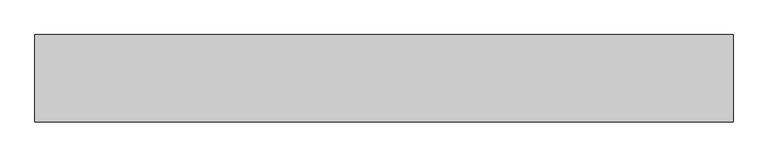
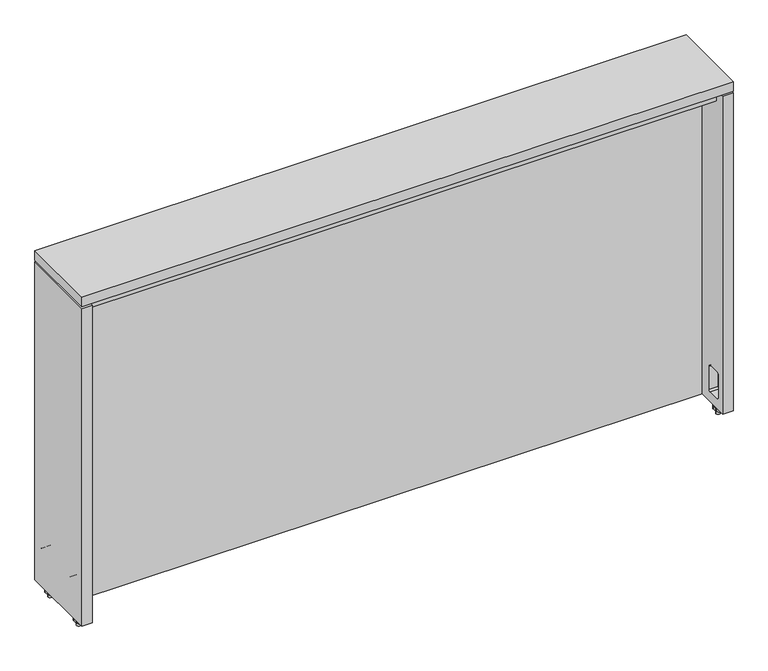
"""IFC4 building model written with IfcOpenShell, lengths in millimetres: furniture geometry."""

from ifc_helpers import new_model, si_unit, frame, origin, place, context, project, spatial, polyline, circle_curve, outline, extrude, source, transform, mapped, element, save
from ifc_brep_helpers import plane_surface, cylinder_surface, revolved_surface, advanced_brep


def furniture_2a355bd4(model_context):
    return source(origin(), model_context, "Body", "SolidModel", [
        advanced_brep(
        [(14.8424964, 46.4820011, 675.8939913), (7.0007436, 46.4820011, 675.8939913), (14.8424964, 46.4820011, 657.1431009), (7.0007436, 46.4820011, 657.1431009), (14.8424964, 46.4820011, 672.103743), (7.0007436, 46.4820011, 672.103743), (7.0007436, 46.4820011, 665.7536945), (14.8424964, 46.4820011, 665.7536945), (7.9135991, 58.3669548, 672.103743), (4.1875161, 51.9131905, 672.103743), (3.6826201, 50.0288929, 672.103743), (3.6826201, 43.00498, 672.103743), (4.2224512, 40.9903023, 672.103743), (7.9107277, 34.6020186, 672.103743), (13.9325135, 34.6020186, 672.103743), (17.6207899, 40.9903023, 672.103743), (18.160621, 43.00498, 672.103743), (18.160621, 50.0288929, 672.103743), (17.655725, 51.9131905, 672.103743), (13.929642, 58.3669548, 672.103743), (7.9135991, 58.3669548, 665.7536945), (13.929642, 58.3669548, 665.7536945), (17.655725, 51.9131905, 665.7536945), (18.160621, 50.0288929, 665.7536945), (18.160621, 43.00498, 665.7536945), (17.6207899, 40.9903023, 665.7536945), (13.9325135, 34.6020186, 665.7536945), (7.9107277, 34.6020186, 665.7536945), (4.2224512, 40.9903023, 665.7536945), (3.6826201, 43.00498, 665.7536945), (3.6826201, 50.0288929, 665.7536945), (4.1875161, 51.9131905, 665.7536945)],
        [
            (0, 1, circle_curve(frame((10.92162, 46.4820011, 675.8939913), z_axis=(0.0, 0.0, 1.0), x_axis=(-1.0, 0.0, 0.0)), 3.9208764)),
            (1, 0, circle_curve(frame((10.92162, 46.4820011, 675.8939913), z_axis=(0.0, 0.0, 1.0), x_axis=(-1.0, 0.0, 0.0)), 3.9208764)),
            (2, 3, circle_curve(frame((10.92162, 46.4820011, 657.1431009), z_axis=(0.0, 0.0, -1.0), x_axis=(-1.0, 0.0, 0.0)), 3.9208764)),
            (3, 2, circle_curve(frame((10.92162, 46.4820011, 657.1431009), z_axis=(0.0, 0.0, -1.0), x_axis=(-1.0, 0.0, 0.0)), 3.9208764)),
            (0, 4),
            (4, 5, circle_curve(frame((10.92162, 46.4820011, 672.103743), z_axis=(0.0, 0.0, 1.0), x_axis=(-1.0, 0.0, 0.0)), 3.9208764)),
            (5, 1),
            (3, 6),
            (6, 7, circle_curve(frame((10.92162, 46.4820011, 665.7536945), z_axis=(0.0, 0.0, -1.0), x_axis=(-1.0, 0.0, 0.0)), 3.9208764)),
            (7, 2),
            (5, 4, circle_curve(frame((10.92162, 46.4820011, 672.103743), z_axis=(0.0, 0.0, 1.0), x_axis=(-1.0, 0.0, 0.0)), 3.9208764)),
            (7, 6, circle_curve(frame((10.92162, 46.4820011, 665.7536945), z_axis=(0.0, 0.0, -1.0), x_axis=(-1.0, 0.0, 0.0)), 3.9208764)),
            (8, 9),
            (9, 10, circle_curve(frame((7.4512149, 50.0288929, 672.103743), z_axis=(0.0, 0.0, 1.0), x_axis=(-1.0, 0.0, 0.0)), 3.7685949)),
            (10, 11),
            (11, 12, circle_curve(frame((7.7119762, 43.00498, 672.103743), z_axis=(0.0, 0.0, 1.0), x_axis=(-1.0, 0.0, 0.0)), 4.0293561)),
            (12, 13),
            (13, 14, circle_curve(frame((10.9216206, 36.340358, 672.103743), z_axis=(0.0, 0.0, 1.0), x_axis=(-1.0, 0.0, 0.0)), 3.4766794)),
            (14, 15),
            (15, 16, circle_curve(frame((14.1312649, 43.00498, 672.103743), z_axis=(0.0, 0.0, 1.0), x_axis=(-1.0, 0.0, 0.0)), 4.0293561)),
            (16, 17),
            (17, 18, circle_curve(frame((14.3920262, 50.0288929, 672.103743), z_axis=(0.0, 0.0, 1.0), x_axis=(-1.0, 0.0, 0.0)), 3.7685949)),
            (18, 19),
            (19, 8, circle_curve(frame((10.9216206, 56.6302727, 672.103743), z_axis=(0.0, 0.0, 1.0), x_axis=(-1.0, 0.0, 0.0)), 3.4733641)),
            (20, 21, circle_curve(frame((10.9216206, 56.6302727, 665.7536945), z_axis=(0.0, 0.0, -1.0), x_axis=(-1.0, 0.0, 0.0)), 3.4733641)),
            (21, 22),
            (22, 23, circle_curve(frame((14.3920262, 50.0288929, 665.7536945), z_axis=(0.0, 0.0, -1.0), x_axis=(-1.0, 0.0, 0.0)), 3.7685949)),
            (23, 24),
            (24, 25, circle_curve(frame((14.1312649, 43.00498, 665.7536945), z_axis=(0.0, 0.0, -1.0), x_axis=(-1.0, 0.0, 0.0)), 4.0293561)),
            (25, 26),
            (26, 27, circle_curve(frame((10.9216206, 36.340358, 665.7536945), z_axis=(0.0, 0.0, -1.0), x_axis=(-1.0, 0.0, 0.0)), 3.4766794)),
            (27, 28),
            (28, 29, circle_curve(frame((7.7119762, 43.00498, 665.7536945), z_axis=(0.0, 0.0, -1.0), x_axis=(-1.0, 0.0, 0.0)), 4.0293561)),
            (29, 30),
            (30, 31, circle_curve(frame((7.4512149, 50.0288929, 665.7536945), z_axis=(0.0, 0.0, -1.0), x_axis=(-1.0, 0.0, 0.0)), 3.7685949)),
            (31, 20),
            (8, 20),
            (31, 9),
            (30, 10),
            (29, 11),
            (28, 12),
            (27, 13),
            (26, 14),
            (25, 15),
            (24, 16),
            (23, 17),
            (22, 18),
            (21, 19),
        ],
        [
            plane_surface(frame((7.0007436, 46.4820011, 675.8939913), z_axis=(0.0, 0.0, 1.0), x_axis=(0.0, -1.0, 0.0))),
            plane_surface(frame((7.0007436, 46.4820011, 657.1431009), z_axis=(0.0, 0.0, -1.0), x_axis=(0.0, 1.0, 0.0))),
            cylinder_surface(frame((10.92162, 46.4820011, 657.1431009), z_axis=(0.0, 0.0, 1.0), x_axis=(-1.0, 0.0, 0.0)), 3.9208764),
            plane_surface(frame((4.0845438, 51.7348373, 672.103743), z_axis=(0.0, 0.0, 1.0), x_axis=(-0.5000000389322666, -0.8660253813068829, 0.0))),
            plane_surface(frame((4.0845438, 51.7348373, 665.7536945), z_axis=(0.0, 0.0, -1.0), x_axis=(0.5000000389322666, 0.8660253813068829, 0.0))),
            plane_surface(frame((7.9135991, 58.3669548, 672.103743), z_axis=(-0.8660253813068829, 0.5000000389322666, 0.0), x_axis=(0.0, 0.0, -1.0))),
            cylinder_surface(frame((7.4512149, 50.0288929, 665.7536945), z_axis=(0.0, 0.0, 1.0), x_axis=(-1.0, 0.0, 0.0)), 3.7685949),
            plane_surface(frame((3.6826201, 50.0288929, 672.103743), z_axis=(-1.0, 0.0, 0.0), x_axis=(0.0, 0.0, -1.0))),
            cylinder_surface(frame((7.7119762, 43.00498, 665.7536945), z_axis=(0.0, 0.0, 1.0), x_axis=(-1.0, 0.0, 0.0)), 4.0293561),
            plane_surface(frame((4.2224512, 40.9903023, 672.103743), z_axis=(-0.8660254554111491, -0.49999991057990395, 0.0), x_axis=(0.0, 0.0, -1.0))),
            cylinder_surface(frame((10.9216206, 36.340358, 665.7536945), z_axis=(0.0, 0.0, 1.0), x_axis=(-1.0, 0.0, 0.0)), 3.4766794),
            plane_surface(frame((13.9325135, 34.6020186, 672.103743), z_axis=(0.8660254554111534, -0.4999999105798964, 0.0), x_axis=(0.0, 0.0, -1.0))),
            cylinder_surface(frame((14.1312649, 43.00498, 665.7536945), z_axis=(0.0, 0.0, 1.0), x_axis=(-1.0, 0.0, 0.0)), 4.0293561),
            plane_surface(frame((18.160621, 43.00498, 672.103743), z_axis=(1.0, 0.0, 0.0), x_axis=(0.0, 0.0, -1.0))),
            cylinder_surface(frame((14.3920262, 50.0288929, 665.7536945), z_axis=(0.0, 0.0, 1.0), x_axis=(-1.0, 0.0, 0.0)), 3.7685949),
            plane_surface(frame((17.655725, 51.9131905, 672.103743), z_axis=(0.8660253813068899, 0.5000000389322544, 0.0), x_axis=(0.0, 0.0, -1.0))),
            cylinder_surface(frame((10.9216206, 56.6302727, 665.7536945), z_axis=(0.0, 0.0, 1.0), x_axis=(-1.0, 0.0, 0.0)), 3.4733641),
        ],
        [
            (0, [[1, 2]]),
            (1, [[3, 4]]),
            (2, [[-1, 5, 6, 7]]),
            (2, [[-4, 8, 9, 10]]),
            (2, [[-2, -7, 11, -5]]),
            (2, [[-3, -10, 12, -8]]),
            (3, [[13, 14, 15, 16, 17, 18, 19, 20, 21, 22, 23, 24], [-6, -11]]),
            (4, [[25, 26, 27, 28, 29, 30, 31, 32, 33, 34, 35, 36], [-9, -12]]),
            (5, [[-13, 37, -36, 38]]),
            (6, [[-14, -38, -35, 39]]),
            (7, [[-15, -39, -34, 40]]),
            (8, [[-16, -40, -33, 41]]),
            (9, [[-17, -41, -32, 42]]),
            (10, [[-18, -42, -31, 43]]),
            (11, [[-19, -43, -30, 44]]),
            (12, [[-20, -44, -29, 45]]),
            (13, [[-21, -45, -28, 46]]),
            (14, [[-22, -46, -27, 47]]),
            (15, [[-23, -47, -26, 48]]),
            (16, [[-24, -48, -25, -37]]),
        ],
    ),
        advanced_brep(
        [(14.8424964, -46.4820011, 675.8939913), (7.0007436, -46.4820011, 675.8939913), (14.8424964, -46.4820011, 657.1431009), (7.0007436, -46.4820011, 657.1431009), (14.8424964, -46.4820011, 672.103743), (7.0007436, -46.4820011, 672.103743), (7.0007436, -46.4820011, 665.7536945), (14.8424964, -46.4820011, 665.7536945), (7.9135991, -58.3669548, 672.103743), (13.929642, -58.3669548, 672.103743), (17.655725, -51.9131905, 672.103743), (18.160621, -50.0288929, 672.103743), (18.160621, -43.00498, 672.103743), (17.6207899, -40.9903023, 672.103743), (13.9325135, -34.6020186, 672.103743), (7.9107277, -34.6020186, 672.103743), (4.2224512, -40.9903023, 672.103743), (3.6826201, -43.00498, 672.103743), (3.6826201, -50.0288929, 672.103743), (4.1875161, -51.9131905, 672.103743), (7.9135991, -58.3669548, 665.7536945), (4.1875161, -51.9131905, 665.7536945), (3.6826201, -50.0288929, 665.7536945), (3.6826201, -43.00498, 665.7536945), (4.2224512, -40.9903023, 665.7536945), (7.9107277, -34.6020186, 665.7536945), (13.9325135, -34.6020186, 665.7536945), (17.6207899, -40.9903023, 665.7536945), (18.160621, -43.00498, 665.7536945), (18.160621, -50.0288929, 665.7536945), (17.655725, -51.9131905, 665.7536945), (13.929642, -58.3669548, 665.7536945)],
        [
            (0, 1, circle_curve(frame((10.92162, -46.4820011, 675.8939913), z_axis=(0.0, 0.0, 1.0), x_axis=(-1.0, 0.0, 0.0)), 3.9208764)),
            (1, 0, circle_curve(frame((10.92162, -46.4820011, 675.8939913), z_axis=(0.0, 0.0, 1.0), x_axis=(-1.0, 0.0, 0.0)), 3.9208764)),
            (2, 3, circle_curve(frame((10.92162, -46.4820011, 657.1431009), z_axis=(0.0, 0.0, -1.0), x_axis=(-1.0, 0.0, 0.0)), 3.9208764)),
            (3, 2, circle_curve(frame((10.92162, -46.4820011, 657.1431009), z_axis=(0.0, 0.0, -1.0), x_axis=(-1.0, 0.0, 0.0)), 3.9208764)),
            (0, 4),
            (4, 5, circle_curve(frame((10.92162, -46.4820011, 672.103743), z_axis=(0.0, 0.0, 1.0), x_axis=(-1.0, 0.0, 0.0)), 3.9208764)),
            (5, 1),
            (3, 6),
            (6, 7, circle_curve(frame((10.92162, -46.4820011, 665.7536945), z_axis=(0.0, 0.0, -1.0), x_axis=(-1.0, 0.0, 0.0)), 3.9208764)),
            (7, 2),
            (5, 4, circle_curve(frame((10.92162, -46.4820011, 672.103743), z_axis=(0.0, 0.0, 1.0), x_axis=(-1.0, 0.0, 0.0)), 3.9208764)),
            (7, 6, circle_curve(frame((10.92162, -46.4820011, 665.7536945), z_axis=(0.0, 0.0, -1.0), x_axis=(-1.0, 0.0, 0.0)), 3.9208764)),
            (8, 9, circle_curve(frame((10.9216206, -56.6302727, 672.103743), z_axis=(0.0, 0.0, 1.0), x_axis=(-1.0, 0.0, 0.0)), 3.4733641)),
            (9, 10),
            (10, 11, circle_curve(frame((14.3920262, -50.0288929, 672.103743), z_axis=(0.0, 0.0, 1.0), x_axis=(-1.0, 0.0, 0.0)), 3.7685949)),
            (11, 12),
            (12, 13, circle_curve(frame((14.1312649, -43.00498, 672.103743), z_axis=(0.0, 0.0, 1.0), x_axis=(-1.0, 0.0, 0.0)), 4.0293561)),
            (13, 14),
            (14, 15, circle_curve(frame((10.9216206, -36.340358, 672.103743), z_axis=(0.0, 0.0, 1.0), x_axis=(-1.0, 0.0, 0.0)), 3.4766794)),
            (15, 16),
            (16, 17, circle_curve(frame((7.7119762, -43.00498, 672.103743), z_axis=(0.0, 0.0, 1.0), x_axis=(-1.0, 0.0, 0.0)), 4.0293561)),
            (17, 18),
            (18, 19, circle_curve(frame((7.4512149, -50.0288929, 672.103743), z_axis=(0.0, 0.0, 1.0), x_axis=(-1.0, 0.0, 0.0)), 3.7685949)),
            (19, 8),
            (20, 21),
            (21, 22, circle_curve(frame((7.4512149, -50.0288929, 665.7536945), z_axis=(0.0, 0.0, -1.0), x_axis=(-1.0, 0.0, 0.0)), 3.7685949)),
            (22, 23),
            (23, 24, circle_curve(frame((7.7119762, -43.00498, 665.7536945), z_axis=(0.0, 0.0, -1.0), x_axis=(-1.0, 0.0, 0.0)), 4.0293561)),
            (24, 25),
            (25, 26, circle_curve(frame((10.9216206, -36.340358, 665.7536945), z_axis=(0.0, 0.0, -1.0), x_axis=(-1.0, 0.0, 0.0)), 3.4766794)),
            (26, 27),
            (27, 28, circle_curve(frame((14.1312649, -43.00498, 665.7536945), z_axis=(0.0, 0.0, -1.0), x_axis=(-1.0, 0.0, 0.0)), 4.0293561)),
            (28, 29),
            (29, 30, circle_curve(frame((14.3920262, -50.0288929, 665.7536945), z_axis=(0.0, 0.0, -1.0), x_axis=(-1.0, 0.0, 0.0)), 3.7685949)),
            (30, 31),
            (31, 20, circle_curve(frame((10.9216206, -56.6302727, 665.7536945), z_axis=(0.0, 0.0, -1.0), x_axis=(-1.0, 0.0, 0.0)), 3.4733641)),
            (8, 20),
            (31, 9),
            (30, 10),
            (29, 11),
            (28, 12),
            (27, 13),
            (26, 14),
            (25, 15),
            (24, 16),
            (23, 17),
            (22, 18),
            (21, 19),
        ],
        [
            plane_surface(frame((7.0007436, 46.4820011, 675.8939913), z_axis=(0.0, 0.0, 1.0), x_axis=(0.0, -1.0, 0.0))),
            plane_surface(frame((7.0007436, 46.4820011, 657.1431009), z_axis=(0.0, 0.0, -1.0), x_axis=(0.0, 1.0, 0.0))),
            cylinder_surface(frame((10.92162, -46.4820011, 657.1431009), z_axis=(0.0, 0.0, 1.0), x_axis=(-1.0, 0.0, 0.0)), 3.9208764),
            plane_surface(frame((4.0845438, 51.7348373, 672.103743), z_axis=(0.0, 0.0, 1.0), x_axis=(-0.5000000389322666, -0.8660253813068829, 0.0))),
            plane_surface(frame((4.0845438, 51.7348373, 665.7536945), z_axis=(0.0, 0.0, -1.0), x_axis=(0.5000000389322666, 0.8660253813068829, 0.0))),
            cylinder_surface(frame((10.9216206, -56.6302727, 657.1431009), z_axis=(0.0, 0.0, 1.0), x_axis=(-1.0, 0.0, 0.0)), 3.4733641),
            plane_surface(frame((13.929642, -58.3669548, 672.103743), z_axis=(0.8660253813068899, -0.5000000389322544, 0.0), x_axis=(0.0, 0.0, -1.0))),
            cylinder_surface(frame((14.3920262, -50.0288929, 657.1431009), z_axis=(0.0, 0.0, 1.0), x_axis=(-1.0, 0.0, 0.0)), 3.7685949),
            plane_surface(frame((18.160621, -50.0288929, 672.103743), z_axis=(1.0, 0.0, 0.0), x_axis=(0.0, 0.0, -1.0))),
            cylinder_surface(frame((14.1312649, -43.00498, 657.1431009), z_axis=(0.0, 0.0, 1.0), x_axis=(-1.0, 0.0, 0.0)), 4.0293561),
            plane_surface(frame((17.6207899, -40.9903023, 672.103743), z_axis=(0.8660254554111536, 0.4999999105798962, 0.0), x_axis=(0.0, 0.0, -1.0))),
            cylinder_surface(frame((10.9216206, -36.340358, 657.1431009), z_axis=(0.0, 0.0, 1.0), x_axis=(-1.0, 0.0, 0.0)), 3.4766794),
            plane_surface(frame((7.9107277, -34.6020186, 672.103743), z_axis=(-0.8660254554111491, 0.49999991057990395, 0.0), x_axis=(0.0, 0.0, -1.0))),
            cylinder_surface(frame((7.7119762, -43.00498, 657.1431009), z_axis=(0.0, 0.0, 1.0), x_axis=(-1.0, 0.0, 0.0)), 4.0293561),
            plane_surface(frame((3.6826201, -43.00498, 672.103743), z_axis=(-1.0, 0.0, 0.0), x_axis=(0.0, 0.0, -1.0))),
            cylinder_surface(frame((7.4512149, -50.0288929, 657.1431009), z_axis=(0.0, 0.0, 1.0), x_axis=(-1.0, 0.0, 0.0)), 3.7685949),
            plane_surface(frame((4.1875161, -51.9131905, 672.103743), z_axis=(-0.8660253813068829, -0.5000000389322666, 0.0), x_axis=(0.0, 0.0, -1.0))),
        ],
        [
            (0, [[1, 2]]),
            (1, [[3, 4]]),
            (2, [[-1, 5, 6, 7]]),
            (2, [[-4, 8, 9, 10]]),
            (2, [[-2, -7, 11, -5]]),
            (2, [[-3, -10, 12, -8]]),
            (3, [[13, 14, 15, 16, 17, 18, 19, 20, 21, 22, 23, 24], [-6, -11]]),
            (4, [[25, 26, 27, 28, 29, 30, 31, 32, 33, 34, 35, 36], [-9, -12]]),
            (5, [[-13, 37, -36, 38]]),
            (6, [[-14, -38, -35, 39]]),
            (7, [[-15, -39, -34, 40]]),
            (8, [[-16, -40, -33, 41]]),
            (9, [[-17, -41, -32, 42]]),
            (10, [[-18, -42, -31, 43]]),
            (11, [[-19, -43, -30, 44]]),
            (12, [[-20, -44, -29, 45]]),
            (13, [[-21, -45, -28, 46]]),
            (14, [[-22, -46, -27, 47]]),
            (15, [[-23, -47, -26, 48]]),
            (16, [[-24, -48, -25, -37]]),
        ],
    ),
        advanced_brep(
        [(1212.1992564, 46.4820011, 675.8939913), (1204.3575036, 46.4820011, 675.8939913), (1212.1992564, 46.4820011, 657.1431009), (1204.3575036, 46.4820011, 657.1431009), (1212.1992564, 46.4820011, 672.103743), (1204.3575036, 46.4820011, 672.103743), (1204.3575036, 46.4820011, 665.7536945), (1212.1992564, 46.4820011, 665.7536945), (1211.2864009, 58.3669548, 672.103743), (1205.270358, 58.3669548, 672.103743), (1201.544275, 51.9131905, 672.103743), (1201.039379, 50.0288929, 672.103743), (1201.039379, 43.00498, 672.103743), (1201.5792101, 40.9903023, 672.103743), (1205.2674865, 34.6020186, 672.103743), (1211.2892723, 34.6020186, 672.103743), (1214.9775488, 40.9903023, 672.103743), (1215.5173799, 43.00498, 672.103743), (1215.5173799, 50.0288929, 672.103743), (1215.0124839, 51.9131905, 672.103743), (1211.2864009, 58.3669548, 665.7536945), (1215.0124839, 51.9131905, 665.7536945), (1215.5173799, 50.0288929, 665.7536945), (1215.5173799, 43.00498, 665.7536945), (1214.9775488, 40.9903023, 665.7536945), (1211.2892723, 34.6020186, 665.7536945), (1205.2674865, 34.6020186, 665.7536945), (1201.5792101, 40.9903023, 665.7536945), (1201.039379, 43.00498, 665.7536945), (1201.039379, 50.0288929, 665.7536945), (1201.544275, 51.9131905, 665.7536945), (1205.270358, 58.3669548, 665.7536945)],
        [
            (0, 1, circle_curve(frame((1208.27838, 46.4820011, 675.8939913), z_axis=(0.0, 0.0, 1.0), x_axis=(-1.0, 0.0, 0.0)), 3.9208764)),
            (1, 0, circle_curve(frame((1208.27838, 46.4820011, 675.8939913), z_axis=(0.0, 0.0, 1.0), x_axis=(-1.0, 0.0, 0.0)), 3.9208764)),
            (2, 3, circle_curve(frame((1208.27838, 46.4820011, 657.1431009), z_axis=(0.0, 0.0, -1.0), x_axis=(-1.0, 0.0, 0.0)), 3.9208764)),
            (3, 2, circle_curve(frame((1208.27838, 46.4820011, 657.1431009), z_axis=(0.0, 0.0, -1.0), x_axis=(-1.0, 0.0, 0.0)), 3.9208764)),
            (0, 4),
            (4, 5, circle_curve(frame((1208.27838, 46.4820011, 672.103743), z_axis=(0.0, 0.0, 1.0), x_axis=(-1.0, 0.0, 0.0)), 3.9208764)),
            (5, 1),
            (3, 6),
            (6, 7, circle_curve(frame((1208.27838, 46.4820011, 665.7536945), z_axis=(0.0, 0.0, -1.0), x_axis=(-1.0, 0.0, 0.0)), 3.9208764)),
            (7, 2),
            (5, 4, circle_curve(frame((1208.27838, 46.4820011, 672.103743), z_axis=(0.0, 0.0, 1.0), x_axis=(-1.0, 0.0, 0.0)), 3.9208764)),
            (7, 6, circle_curve(frame((1208.27838, 46.4820011, 665.7536945), z_axis=(0.0, 0.0, -1.0), x_axis=(-1.0, 0.0, 0.0)), 3.9208764)),
            (8, 9, circle_curve(frame((1208.2783794, 56.6302727, 672.103743), z_axis=(0.0, 0.0, 1.0), x_axis=(-1.0, 0.0, 0.0)), 3.4733641)),
            (9, 10),
            (10, 11, circle_curve(frame((1204.8079738, 50.0288929, 672.103743), z_axis=(0.0, 0.0, 1.0), x_axis=(-1.0, 0.0, 0.0)), 3.7685949)),
            (11, 12),
            (12, 13, circle_curve(frame((1205.0687351, 43.00498, 672.103743), z_axis=(0.0, 0.0, 1.0), x_axis=(-1.0, 0.0, 0.0)), 4.0293561)),
            (13, 14),
            (14, 15, circle_curve(frame((1208.2783794, 36.340358, 672.103743), z_axis=(0.0, 0.0, 1.0), x_axis=(-1.0, 0.0, 0.0)), 3.4766794)),
            (15, 16),
            (16, 17, circle_curve(frame((1211.4880238, 43.00498, 672.103743), z_axis=(0.0, 0.0, 1.0), x_axis=(-1.0, 0.0, 0.0)), 4.0293561)),
            (17, 18),
            (18, 19, circle_curve(frame((1211.7487851, 50.0288929, 672.103743), z_axis=(0.0, 0.0, 1.0), x_axis=(-1.0, 0.0, 0.0)), 3.7685949)),
            (19, 8),
            (20, 21),
            (21, 22, circle_curve(frame((1211.7487851, 50.0288929, 665.7536945), z_axis=(0.0, 0.0, -1.0), x_axis=(-1.0, 0.0, 0.0)), 3.7685949)),
            (22, 23),
            (23, 24, circle_curve(frame((1211.4880238, 43.00498, 665.7536945), z_axis=(0.0, 0.0, -1.0), x_axis=(-1.0, 0.0, 0.0)), 4.0293561)),
            (24, 25),
            (25, 26, circle_curve(frame((1208.2783794, 36.340358, 665.7536945), z_axis=(0.0, 0.0, -1.0), x_axis=(-1.0, 0.0, 0.0)), 3.4766794)),
            (26, 27),
            (27, 28, circle_curve(frame((1205.0687351, 43.00498, 665.7536945), z_axis=(0.0, 0.0, -1.0), x_axis=(-1.0, 0.0, 0.0)), 4.0293561)),
            (28, 29),
            (29, 30, circle_curve(frame((1204.8079738, 50.0288929, 665.7536945), z_axis=(0.0, 0.0, -1.0), x_axis=(-1.0, 0.0, 0.0)), 3.7685949)),
            (30, 31),
            (31, 20, circle_curve(frame((1208.2783794, 56.6302727, 665.7536945), z_axis=(0.0, 0.0, -1.0), x_axis=(-1.0, 0.0, 0.0)), 3.4733641)),
            (8, 20),
            (31, 9),
            (30, 10),
            (29, 11),
            (28, 12),
            (27, 13),
            (26, 14),
            (25, 15),
            (24, 16),
            (23, 17),
            (22, 18),
            (21, 19),
        ],
        [
            plane_surface(frame((7.0007436, 46.4820011, 675.8939913), z_axis=(0.0, 0.0, 1.0), x_axis=(0.0, -1.0, 0.0))),
            plane_surface(frame((7.0007436, 46.4820011, 657.1431009), z_axis=(0.0, 0.0, -1.0), x_axis=(0.0, 1.0, 0.0))),
            cylinder_surface(frame((1208.27838, 46.4820011, 657.1431009), z_axis=(0.0, 0.0, 1.0), x_axis=(-1.0, 0.0, 0.0)), 3.9208764),
            plane_surface(frame((4.0845438, 51.7348373, 672.103743), z_axis=(0.0, 0.0, 1.0), x_axis=(-0.5000000389322666, -0.8660253813068829, 0.0))),
            plane_surface(frame((4.0845438, 51.7348373, 665.7536945), z_axis=(0.0, 0.0, -1.0), x_axis=(0.5000000389322666, 0.8660253813068829, 0.0))),
            cylinder_surface(frame((1208.2783794, 56.6302727, 657.1431009), z_axis=(0.0, 0.0, 1.0), x_axis=(-1.0, 0.0, 0.0)), 3.4733641),
            plane_surface(frame((1205.270358, 58.3669548, 672.103743), z_axis=(-0.8660253813068829, 0.5000000389322667, 0.0), x_axis=(0.0, 0.0, -1.0))),
            cylinder_surface(frame((1204.8079738, 50.0288929, 657.1431009), z_axis=(0.0, 0.0, 1.0), x_axis=(-1.0, 0.0, 0.0)), 3.7685949),
            plane_surface(frame((1201.039379, 50.0288929, 672.103743), z_axis=(-1.0, 0.0, 0.0), x_axis=(0.0, 0.0, -1.0))),
            cylinder_surface(frame((1205.0687351, 43.00498, 657.1431009), z_axis=(0.0, 0.0, 1.0), x_axis=(-1.0, 0.0, 0.0)), 4.0293561),
            plane_surface(frame((1201.5792101, 40.9903023, 672.103743), z_axis=(-0.8660254554111597, -0.4999999105798854, 0.0), x_axis=(0.0, 0.0, -1.0))),
            cylinder_surface(frame((1208.2783794, 36.340358, 657.1431009), z_axis=(0.0, 0.0, 1.0), x_axis=(-1.0, 0.0, 0.0)), 3.4766794),
            plane_surface(frame((1211.2892723, 34.6020186, 672.103743), z_axis=(0.866025455411147, -0.4999999105799076, 0.0), x_axis=(0.0, 0.0, -1.0))),
            cylinder_surface(frame((1211.4880238, 43.00498, 657.1431009), z_axis=(0.0, 0.0, 1.0), x_axis=(-1.0, 0.0, 0.0)), 4.0293561),
            plane_surface(frame((1215.5173799, 43.00498, 672.103743), z_axis=(1.0, 0.0, 0.0), x_axis=(0.0, 0.0, -1.0))),
            cylinder_surface(frame((1211.7487851, 50.0288929, 657.1431009), z_axis=(0.0, 0.0, 1.0), x_axis=(-1.0, 0.0, 0.0)), 3.7685949),
            plane_surface(frame((1215.0124839, 51.9131905, 672.103743), z_axis=(0.8660253813068807, 0.5000000389322706, 0.0), x_axis=(0.0, 0.0, -1.0))),
        ],
        [
            (0, [[1, 2]]),
            (1, [[3, 4]]),
            (2, [[-1, 5, 6, 7]]),
            (2, [[-4, 8, 9, 10]]),
            (2, [[-2, -7, 11, -5]]),
            (2, [[-3, -10, 12, -8]]),
            (3, [[13, 14, 15, 16, 17, 18, 19, 20, 21, 22, 23, 24], [-6, -11]]),
            (4, [[25, 26, 27, 28, 29, 30, 31, 32, 33, 34, 35, 36], [-9, -12]]),
            (5, [[-13, 37, -36, 38]]),
            (6, [[-14, -38, -35, 39]]),
            (7, [[-15, -39, -34, 40]]),
            (8, [[-16, -40, -33, 41]]),
            (9, [[-17, -41, -32, 42]]),
            (10, [[-18, -42, -31, 43]]),
            (11, [[-19, -43, -30, 44]]),
            (12, [[-20, -44, -29, 45]]),
            (13, [[-21, -45, -28, 46]]),
            (14, [[-22, -46, -27, 47]]),
            (15, [[-23, -47, -26, 48]]),
            (16, [[-24, -48, -25, -37]]),
        ],
    ),
        advanced_brep(
        [(1212.1992564, -46.4820011, 675.8939913), (1204.3575036, -46.4820011, 675.8939913), (1212.1992564, -46.4820011, 657.1431009), (1204.3575036, -46.4820011, 657.1431009), (1212.1992564, -46.4820011, 672.103743), (1204.3575036, -46.4820011, 672.103743), (1204.3575036, -46.4820011, 665.7536945), (1212.1992564, -46.4820011, 665.7536945), (1211.2864009, -58.3669548, 672.103743), (1215.0124839, -51.9131905, 672.103743), (1215.5173799, -50.0288929, 672.103743), (1215.5173799, -43.00498, 672.103743), (1214.9775488, -40.9903023, 672.103743), (1211.2892723, -34.6020186, 672.103743), (1205.2674865, -34.6020186, 672.103743), (1201.5792101, -40.9903023, 672.103743), (1201.039379, -43.00498, 672.103743), (1201.039379, -50.0288929, 672.103743), (1201.544275, -51.9131905, 672.103743), (1205.270358, -58.3669548, 672.103743), (1211.2864009, -58.3669548, 665.7536945), (1205.270358, -58.3669548, 665.7536945), (1201.544275, -51.9131905, 665.7536945), (1201.039379, -50.0288929, 665.7536945), (1201.039379, -43.00498, 665.7536945), (1201.5792101, -40.9903023, 665.7536945), (1205.2674865, -34.6020186, 665.7536945), (1211.2892723, -34.6020186, 665.7536945), (1214.9775488, -40.9903023, 665.7536945), (1215.5173799, -43.00498, 665.7536945), (1215.5173799, -50.0288929, 665.7536945), (1215.0124839, -51.9131905, 665.7536945)],
        [
            (0, 1, circle_curve(frame((1208.27838, -46.4820011, 675.8939913), z_axis=(0.0, 0.0, 1.0), x_axis=(-1.0, 0.0, 0.0)), 3.9208764)),
            (1, 0, circle_curve(frame((1208.27838, -46.4820011, 675.8939913), z_axis=(0.0, 0.0, 1.0), x_axis=(-1.0, 0.0, 0.0)), 3.9208764)),
            (2, 3, circle_curve(frame((1208.27838, -46.4820011, 657.1431009), z_axis=(0.0, 0.0, -1.0), x_axis=(-1.0, 0.0, 0.0)), 3.9208764)),
            (3, 2, circle_curve(frame((1208.27838, -46.4820011, 657.1431009), z_axis=(0.0, 0.0, -1.0), x_axis=(-1.0, 0.0, 0.0)), 3.9208764)),
            (0, 4),
            (4, 5, circle_curve(frame((1208.27838, -46.4820011, 672.103743), z_axis=(0.0, 0.0, 1.0), x_axis=(-1.0, 0.0, 0.0)), 3.9208764)),
            (5, 1),
            (3, 6),
            (6, 7, circle_curve(frame((1208.27838, -46.4820011, 665.7536945), z_axis=(0.0, 0.0, -1.0), x_axis=(-1.0, 0.0, 0.0)), 3.9208764)),
            (7, 2),
            (5, 4, circle_curve(frame((1208.27838, -46.4820011, 672.103743), z_axis=(0.0, 0.0, 1.0), x_axis=(-1.0, 0.0, 0.0)), 3.9208764)),
            (7, 6, circle_curve(frame((1208.27838, -46.4820011, 665.7536945), z_axis=(0.0, 0.0, -1.0), x_axis=(-1.0, 0.0, 0.0)), 3.9208764)),
            (8, 9),
            (9, 10, circle_curve(frame((1211.7487851, -50.0288929, 672.103743), z_axis=(0.0, 0.0, 1.0), x_axis=(-1.0, 0.0, 0.0)), 3.7685949)),
            (10, 11),
            (11, 12, circle_curve(frame((1211.4880238, -43.00498, 672.103743), z_axis=(0.0, 0.0, 1.0), x_axis=(-1.0, 0.0, 0.0)), 4.0293561)),
            (12, 13),
            (13, 14, circle_curve(frame((1208.2783794, -36.340358, 672.103743), z_axis=(0.0, 0.0, 1.0), x_axis=(-1.0, 0.0, 0.0)), 3.4766794)),
            (14, 15),
            (15, 16, circle_curve(frame((1205.0687351, -43.00498, 672.103743), z_axis=(0.0, 0.0, 1.0), x_axis=(-1.0, 0.0, 0.0)), 4.0293561)),
            (16, 17),
            (17, 18, circle_curve(frame((1204.8079738, -50.0288929, 672.103743), z_axis=(0.0, 0.0, 1.0), x_axis=(-1.0, 0.0, 0.0)), 3.7685949)),
            (18, 19),
            (19, 8, circle_curve(frame((1208.2783794, -56.6302727, 672.103743), z_axis=(0.0, 0.0, 1.0), x_axis=(-1.0, 0.0, 0.0)), 3.4733641)),
            (20, 21, circle_curve(frame((1208.2783794, -56.6302727, 665.7536945), z_axis=(0.0, 0.0, -1.0), x_axis=(-1.0, 0.0, 0.0)), 3.4733641)),
            (21, 22),
            (22, 23, circle_curve(frame((1204.8079738, -50.0288929, 665.7536945), z_axis=(0.0, 0.0, -1.0), x_axis=(-1.0, 0.0, 0.0)), 3.7685949)),
            (23, 24),
            (24, 25, circle_curve(frame((1205.0687351, -43.00498, 665.7536945), z_axis=(0.0, 0.0, -1.0), x_axis=(-1.0, 0.0, 0.0)), 4.0293561)),
            (25, 26),
            (26, 27, circle_curve(frame((1208.2783794, -36.340358, 665.7536945), z_axis=(0.0, 0.0, -1.0), x_axis=(-1.0, 0.0, 0.0)), 3.4766794)),
            (27, 28),
            (28, 29, circle_curve(frame((1211.4880238, -43.00498, 665.7536945), z_axis=(0.0, 0.0, -1.0), x_axis=(-1.0, 0.0, 0.0)), 4.0293561)),
            (29, 30),
            (30, 31, circle_curve(frame((1211.7487851, -50.0288929, 665.7536945), z_axis=(0.0, 0.0, -1.0), x_axis=(-1.0, 0.0, 0.0)), 3.7685949)),
            (31, 20),
            (8, 20),
            (31, 9),
            (30, 10),
            (29, 11),
            (28, 12),
            (27, 13),
            (26, 14),
            (25, 15),
            (24, 16),
            (23, 17),
            (22, 18),
            (21, 19),
        ],
        [
            plane_surface(frame((7.0007436, 46.4820011, 675.8939913), z_axis=(0.0, 0.0, 1.0), x_axis=(0.0, -1.0, 0.0))),
            plane_surface(frame((7.0007436, 46.4820011, 657.1431009), z_axis=(0.0, 0.0, -1.0), x_axis=(0.0, 1.0, 0.0))),
            cylinder_surface(frame((1208.27838, -46.4820011, 657.1431009), z_axis=(0.0, 0.0, 1.0), x_axis=(-1.0, 0.0, 0.0)), 3.9208764),
            plane_surface(frame((4.0845438, 51.7348373, 672.103743), z_axis=(0.0, 0.0, 1.0), x_axis=(-0.5000000389322666, -0.8660253813068829, 0.0))),
            plane_surface(frame((4.0845438, 51.7348373, 665.7536945), z_axis=(0.0, 0.0, -1.0), x_axis=(0.5000000389322666, 0.8660253813068829, 0.0))),
            plane_surface(frame((1211.2864009, -58.3669548, 672.103743), z_axis=(0.866025381306882, -0.5000000389322682, 0.0), x_axis=(0.0, 0.0, -1.0))),
            cylinder_surface(frame((1211.7487851, -50.0288929, 657.1431009), z_axis=(0.0, 0.0, 1.0), x_axis=(-1.0, 0.0, 0.0)), 3.7685949),
            plane_surface(frame((1215.5173799, -50.0288929, 672.103743), z_axis=(1.0, 0.0, 0.0), x_axis=(0.0, 0.0, -1.0))),
            cylinder_surface(frame((1211.4880238, -43.00498, 657.1431009), z_axis=(0.0, 0.0, 1.0), x_axis=(-1.0, 0.0, 0.0)), 4.0293561),
            plane_surface(frame((1214.9775488, -40.9903023, 672.103743), z_axis=(0.8660254554111475, 0.49999991057990667, 0.0), x_axis=(0.0, 0.0, -1.0))),
            cylinder_surface(frame((1208.2783794, -36.340358, 657.1431009), z_axis=(0.0, 0.0, 1.0), x_axis=(-1.0, 0.0, 0.0)), 3.4766794),
            plane_surface(frame((1205.2674865, -34.6020186, 672.103743), z_axis=(-0.8660254554111526, 0.4999999105798977, 0.0), x_axis=(0.0, 0.0, -1.0))),
            cylinder_surface(frame((1205.0687351, -43.00498, 657.1431009), z_axis=(0.0, 0.0, 1.0), x_axis=(-1.0, 0.0, 0.0)), 4.0293561),
            plane_surface(frame((1201.039379, -43.00498, 672.103743), z_axis=(-1.0, 0.0, 0.0), x_axis=(0.0, 0.0, -1.0))),
            cylinder_surface(frame((1204.8079738, -50.0288929, 657.1431009), z_axis=(0.0, 0.0, 1.0), x_axis=(-1.0, 0.0, 0.0)), 3.7685949),
            plane_surface(frame((1201.544275, -51.9131905, 672.103743), z_axis=(-0.8660253813068829, -0.5000000389322667, 0.0), x_axis=(0.0, 0.0, -1.0))),
            cylinder_surface(frame((1208.2783794, -56.6302727, 657.1431009), z_axis=(0.0, 0.0, 1.0), x_axis=(-1.0, 0.0, 0.0)), 3.4733641),
        ],
        [
            (0, [[1, 2]]),
            (1, [[3, 4]]),
            (2, [[-1, 5, 6, 7]]),
            (2, [[-4, 8, 9, 10]]),
            (2, [[-2, -7, 11, -5]]),
            (2, [[-3, -10, 12, -8]]),
            (3, [[13, 14, 15, 16, 17, 18, 19, 20, 21, 22, 23, 24], [-6, -11]]),
            (4, [[25, 26, 27, 28, 29, 30, 31, 32, 33, 34, 35, 36], [-9, -12]]),
            (5, [[-13, 37, -36, 38]]),
            (6, [[-14, -38, -35, 39]]),
            (7, [[-15, -39, -34, 40]]),
            (8, [[-16, -40, -33, 41]]),
            (9, [[-17, -41, -32, 42]]),
            (10, [[-18, -42, -31, 43]]),
            (11, [[-19, -43, -30, 44]]),
            (12, [[-20, -44, -29, 45]]),
            (13, [[-21, -45, -28, 46]]),
            (14, [[-22, -46, -27, 47]]),
            (15, [[-23, -47, -26, 48]]),
            (16, [[-24, -48, -25, -37]]),
        ],
    ),
        advanced_brep(
        [(19.3039998, 76.2, 1304.7979729), (0.0, 76.2, 1304.7979729), (0.0, -76.2, 1304.7979729), (19.3039998, -76.2, 1304.7979729), (19.3039998, 76.2, 675.8939913), (19.3039998, -76.2, 675.8939913), (0.0, -76.2, 675.8939913), (0.0, 76.2, 675.8939913), (19.3039998, 35.3695003, 747.3314913), (19.3039998, 57.5944769, 747.3314913), (19.3039998, 60.7695011, 744.1564671), (19.3039998, 60.7695011, 698.1189928), (19.3039998, 57.5944996, 694.9439913), (19.3039998, 35.3695003, 694.9439913), (19.3039998, 32.1945011, 698.1189905), (19.3039998, 32.1945011, 744.156492), (19.3039998, -35.3695003, 747.3314913), (19.3039998, -32.1945011, 744.156492), (19.3039998, -32.1945011, 698.1189905), (19.3039998, -35.3695003, 694.9439913), (19.3039998, -57.5944996, 694.9439913), (19.3039998, -60.7695011, 698.1189928), (19.3039998, -60.7695011, 744.1564671), (19.3039998, -57.5944769, 747.3314913), (2.6221493, 35.3695003, 747.3314913), (2.6221493, 32.1945011, 744.156492), (2.6221493, 32.1945011, 698.1189905), (2.6221493, 35.3695003, 694.9439913), (2.6221493, 57.5944996, 694.9439913), (2.6221493, 60.7695011, 698.1189928), (2.6221493, 60.7695011, 744.1564671), (2.6221493, 57.5944769, 747.3314913), (2.6221493, -35.3695003, 747.3314913), (2.6221493, -57.5944769, 747.3314913), (2.6221493, -60.7695011, 744.1564671), (2.6221493, -60.7695011, 698.1189928), (2.6221493, -57.5944996, 694.9439913), (2.6221493, -35.3695003, 694.9439913), (2.6221493, -32.1945011, 698.1189905), (2.6221493, -32.1945011, 744.156492)],
        [
            (0, 1),
            (1, 2),
            (2, 3),
            (3, 0),
            (4, 5),
            (5, 6),
            (6, 7),
            (7, 4),
            (0, 4),
            (7, 1),
            (6, 2),
            (5, 3),
            (8, 9),
            (9, 10, circle_curve(frame((19.3039998, 57.5944769, 744.1564671), z_axis=(-1.0, 0.0, 0.0), x_axis=(0.0, -1.0, 0.0)), 3.1750242)),
            (10, 11),
            (11, 12, circle_curve(frame((19.3039998, 57.5944996, 698.1189928), z_axis=(-1.0, 0.0, 0.0), x_axis=(0.0, -1.0, 0.0)), 3.1750015)),
            (12, 13),
            (13, 14, circle_curve(frame((19.3039998, 35.3695003, 698.1189905), z_axis=(-1.0, 0.0, 0.0), x_axis=(0.0, -1.0, 0.0)), 3.1749992)),
            (14, 15),
            (15, 8, circle_curve(frame((19.3039998, 35.3695003, 744.156492), z_axis=(-1.0, 0.0, 0.0), x_axis=(0.0, -1.0, 0.0)), 3.1749992)),
            (16, 17, circle_curve(frame((19.3039998, -35.3695003, 744.156492), z_axis=(-1.0, 0.0, 0.0), x_axis=(0.0, -1.0, 0.0)), 3.1749992)),
            (17, 18),
            (18, 19, circle_curve(frame((19.3039998, -35.3695003, 698.1189905), z_axis=(-1.0, 0.0, 0.0), x_axis=(0.0, -1.0, 0.0)), 3.1749992)),
            (19, 20),
            (20, 21, circle_curve(frame((19.3039998, -57.5944996, 698.1189928), z_axis=(-1.0, 0.0, 0.0), x_axis=(0.0, -1.0, 0.0)), 3.1750015)),
            (21, 22),
            (22, 23, circle_curve(frame((19.3039998, -57.5944769, 744.1564671), z_axis=(-1.0, 0.0, 0.0), x_axis=(0.0, -1.0, 0.0)), 3.1750242)),
            (23, 16),
            (24, 25, circle_curve(frame((2.6221493, 35.3695003, 744.156492), z_axis=(1.0, 0.0, 0.0), x_axis=(0.0, -1.0, 0.0)), 3.1749992)),
            (25, 26),
            (26, 27, circle_curve(frame((2.6221493, 35.3695003, 698.1189905), z_axis=(1.0, 0.0, 0.0), x_axis=(0.0, -1.0, 0.0)), 3.1749992)),
            (27, 28),
            (28, 29, circle_curve(frame((2.6221493, 57.5944996, 698.1189928), z_axis=(1.0, 0.0, 0.0), x_axis=(0.0, -1.0, 0.0)), 3.1750015)),
            (29, 30),
            (30, 31, circle_curve(frame((2.6221493, 57.5944769, 744.1564671), z_axis=(1.0, 0.0, 0.0), x_axis=(0.0, -1.0, 0.0)), 3.1750242)),
            (31, 24),
            (32, 33),
            (33, 34, circle_curve(frame((2.6221493, -57.5944769, 744.1564671), z_axis=(1.0, 0.0, 0.0), x_axis=(0.0, -1.0, 0.0)), 3.1750242)),
            (34, 35),
            (35, 36, circle_curve(frame((2.6221493, -57.5944996, 698.1189928), z_axis=(1.0, 0.0, 0.0), x_axis=(0.0, -1.0, 0.0)), 3.1750015)),
            (36, 37),
            (37, 38, circle_curve(frame((2.6221493, -35.3695003, 698.1189905), z_axis=(1.0, 0.0, 0.0), x_axis=(0.0, -1.0, 0.0)), 3.1749992)),
            (38, 39),
            (39, 32, circle_curve(frame((2.6221493, -35.3695003, 744.156492), z_axis=(1.0, 0.0, 0.0), x_axis=(0.0, -1.0, 0.0)), 3.1749992)),
            (31, 9),
            (8, 24),
            (30, 10),
            (29, 11),
            (28, 12),
            (27, 13),
            (26, 14),
            (25, 15),
            (39, 17),
            (16, 32),
            (38, 18),
            (37, 19),
            (36, 20),
            (35, 21),
            (34, 22),
            (33, 23),
        ],
        [
            plane_surface(frame((0.0, 76.2, 1304.7979729), z_axis=(0.0, 0.0, 1.0), x_axis=(-1.0, 0.0, 0.0))),
            plane_surface(frame((0.0, 76.2, 675.8939913), z_axis=(0.0, 0.0, -1.0), x_axis=(1.0, 0.0, 0.0))),
            plane_surface(frame((19.3039998, 76.2, 1304.7979729), z_axis=(0.0, 1.0, 0.0), x_axis=(0.0, 0.0, -1.0))),
            plane_surface(frame((0.0, 76.2, 1304.7979729), z_axis=(-1.0, 0.0, 0.0), x_axis=(0.0, 0.0, -1.0))),
            plane_surface(frame((0.0, -76.2, 1304.7979729), z_axis=(0.0, -1.0, 0.0), x_axis=(0.0, 0.0, -1.0))),
            plane_surface(frame((19.3039998, -76.2, 1304.7979729), z_axis=(1.0, 0.0, 0.0), x_axis=(0.0, 0.0, -1.0))),
            plane_surface(frame((2.6221493, 57.5944996, 747.3314913), z_axis=(1.0, 0.0, 0.0), x_axis=(0.0, 1.0, 0.0))),
            plane_surface(frame((2.6221493, 35.3695003, 747.3314913), z_axis=(0.0, 0.0, -1.0), x_axis=(1.0, 0.0, 0.0))),
            revolved_surface(polyline([(2.6221493000000002, 54.419452699999994, 744.1564671), (19.3039998, 54.419452699999994, 744.1564671)]), (19.3039998, 57.5944769, 744.1564671), (-1.0, 0.0, 0.0)),
            plane_surface(frame((2.6221493, 60.7695011, 744.1564671), z_axis=(0.0, -1.0, 0.0), x_axis=(1.0, 0.0, 0.0))),
            revolved_surface(polyline([(2.6221493000000002, 54.4194981, 698.1189928), (19.3039998, 54.4194981, 698.1189928)]), (19.3039998, 57.5944996, 698.1189928), (-1.0, 0.0, 0.0)),
            plane_surface(frame((2.6221493, 57.5944996, 694.9439913), z_axis=(0.0, 0.0, 1.0), x_axis=(1.0, 0.0, 0.0))),
            revolved_surface(polyline([(2.6221493000000002, 32.1945011, 698.1189905), (19.3039998, 32.1945011, 698.1189905)]), (19.3039998, 35.3695003, 698.1189905), (-1.0, 0.0, 0.0)),
            plane_surface(frame((2.6221493, 32.1945011, 698.1189905), z_axis=(0.0, 1.0, 0.0), x_axis=(1.0, 0.0, 0.0))),
            revolved_surface(polyline([(2.6221493000000002, 32.1945011, 744.156492), (19.3039998, 32.1945011, 744.156492)]), (19.3039998, 35.3695003, 744.156492), (-1.0, 0.0, 0.0)),
            revolved_surface(polyline([(2.6221493000000002, -38.5444995, 744.156492), (19.3039998, -38.5444995, 744.156492)]), (19.3039998, -35.3695003, 744.156492), (-1.0, 0.0, 0.0)),
            plane_surface(frame((2.6221493, -32.1945011, 744.156492), z_axis=(0.0, -1.0, 0.0), x_axis=(1.0, 0.0, 0.0))),
            revolved_surface(polyline([(2.6221493000000002, -38.5444995, 698.1189905), (19.3039998, -38.5444995, 698.1189905)]), (19.3039998, -35.3695003, 698.1189905), (-1.0, 0.0, 0.0)),
            plane_surface(frame((2.6221493, -35.3695003, 694.9439913), z_axis=(0.0, 0.0, 1.0), x_axis=(1.0, 0.0, 0.0))),
            revolved_surface(polyline([(2.6221493000000002, -60.7695011, 698.1189928), (19.3039998, -60.7695011, 698.1189928)]), (19.3039998, -57.5944996, 698.1189928), (-1.0, 0.0, 0.0)),
            plane_surface(frame((2.6221493, -60.7695011, 698.1189928), z_axis=(0.0, 1.0, 0.0), x_axis=(1.0, 0.0, 0.0))),
            revolved_surface(polyline([(2.6221493000000002, -60.7695011, 744.1564671), (19.3039998, -60.7695011, 744.1564671)]), (19.3039998, -57.5944769, 744.1564671), (-1.0, 0.0, 0.0)),
            plane_surface(frame((2.6221493, -57.5944769, 747.3314913), z_axis=(0.0, 0.0, -1.0), x_axis=(1.0, 0.0, 0.0))),
        ],
        [
            (0, [[1, 2, 3, 4]]),
            (1, [[5, 6, 7, 8]]),
            (2, [[-1, 9, -8, 10]]),
            (3, [[-2, -10, -7, 11]]),
            (4, [[-3, -11, -6, 12]]),
            (5, [[-4, -12, -5, -9], [13, 14, 15, 16, 17, 18, 19, 20], [21, 22, 23, 24, 25, 26, 27, 28]]),
            (6, [[29, 30, 31, 32, 33, 34, 35, 36]]),
            (6, [[37, 38, 39, 40, 41, 42, 43, 44]]),
            (7, [[-36, 45, -13, 46]]),
            (8, [[-35, 47, -14, -45]]),
            (9, [[-34, 48, -15, -47]]),
            (10, [[-33, 49, -16, -48]]),
            (11, [[-32, 50, -17, -49]]),
            (12, [[-31, 51, -18, -50]]),
            (13, [[-30, 52, -19, -51]]),
            (14, [[-29, -46, -20, -52]]),
            (15, [[-44, 53, -21, 54]]),
            (16, [[-43, 55, -22, -53]]),
            (17, [[-42, 56, -23, -55]]),
            (18, [[-41, 57, -24, -56]]),
            (19, [[-40, 58, -25, -57]]),
            (20, [[-39, 59, -26, -58]]),
            (21, [[-38, 60, -27, -59]]),
            (22, [[-37, -54, -28, -60]]),
        ],
    ),
        advanced_brep(
        [(1199.8960002, 76.2, 1304.7979729), (1199.8960002, -76.2, 1304.7979729), (1219.2, -76.2, 1304.7979729), (1219.2, 76.2, 1304.7979729), (1199.8960002, 76.2, 675.8939913), (1219.2, 76.2, 675.8939913), (1219.2, -76.2, 675.8939913), (1199.8960002, -76.2, 675.8939913), (1199.8960002, 57.5944769, 747.3314913), (1199.8960002, 35.3695003, 747.3314913), (1199.8960002, 32.1945011, 744.156492), (1199.8960002, 32.1945011, 698.1189905), (1199.8960002, 35.3695003, 694.9439913), (1199.8960002, 57.5944996, 694.9439913), (1199.8960002, 60.7695011, 698.1189928), (1199.8960002, 60.7695011, 744.1564671), (1199.8960002, -32.1945011, 744.156492), (1199.8960002, -35.3695003, 747.3314913), (1199.8960002, -57.5944769, 747.3314913), (1199.8960002, -60.7695011, 744.1564671), (1199.8960002, -60.7695011, 698.1189928), (1199.8960002, -57.5944996, 694.9439913), (1199.8960002, -35.3695003, 694.9439913), (1199.8960002, -32.1945011, 698.1189905), (1216.5778507, 35.3695003, 747.3314913), (1216.5778507, 57.5944769, 747.3314913), (1216.5778507, 60.7695011, 744.1564671), (1216.5778507, 60.7695011, 698.1189928), (1216.5778507, 57.5944996, 694.9439913), (1216.5778507, 35.3695003, 694.9439913), (1216.5778507, 32.1945011, 698.1189905), (1216.5778507, 32.1945011, 744.156492), (1216.5778507, -35.3695003, 747.3314913), (1216.5778507, -32.1945011, 744.156492), (1216.5778507, -32.1945011, 698.1189905), (1216.5778507, -35.3695003, 694.9439913), (1216.5778507, -57.5944996, 694.9439913), (1216.5778507, -60.7695011, 698.1189928), (1216.5778507, -60.7695011, 744.1564671), (1216.5778507, -57.5944769, 747.3314913)],
        [
            (0, 1),
            (1, 2),
            (2, 3),
            (3, 0),
            (4, 5),
            (5, 6),
            (6, 7),
            (7, 4),
            (0, 4),
            (7, 1),
            (8, 9),
            (9, 10, circle_curve(frame((1199.8960002, 35.3695003, 744.156492), z_axis=(1.0, 0.0, 0.0), x_axis=(0.0, -1.0, 0.0)), 3.1749992)),
            (10, 11),
            (11, 12, circle_curve(frame((1199.8960002, 35.3695003, 698.1189905), z_axis=(1.0, 0.0, 0.0), x_axis=(0.0, -1.0, 0.0)), 3.1749992)),
            (12, 13),
            (13, 14, circle_curve(frame((1199.8960002, 57.5944996, 698.1189928), z_axis=(1.0, 0.0, 0.0), x_axis=(0.0, -1.0, 0.0)), 3.1750015)),
            (14, 15),
            (15, 8, circle_curve(frame((1199.8960002, 57.5944769, 744.1564671), z_axis=(1.0, 0.0, 0.0), x_axis=(0.0, -1.0, 0.0)), 3.1750242)),
            (16, 17, circle_curve(frame((1199.8960002, -35.3695003, 744.156492), z_axis=(1.0, 0.0, 0.0), x_axis=(0.0, -1.0, 0.0)), 3.1749992)),
            (17, 18),
            (18, 19, circle_curve(frame((1199.8960002, -57.5944769, 744.1564671), z_axis=(1.0, 0.0, 0.0), x_axis=(0.0, -1.0, 0.0)), 3.1750242)),
            (19, 20),
            (20, 21, circle_curve(frame((1199.8960002, -57.5944996, 698.1189928), z_axis=(1.0, 0.0, 0.0), x_axis=(0.0, -1.0, 0.0)), 3.1750015)),
            (21, 22),
            (22, 23, circle_curve(frame((1199.8960002, -35.3695003, 698.1189905), z_axis=(1.0, 0.0, 0.0), x_axis=(0.0, -1.0, 0.0)), 3.1749992)),
            (23, 16),
            (6, 2),
            (5, 3),
            (24, 25),
            (25, 26, circle_curve(frame((1216.5778507, 57.5944769, 744.1564671), z_axis=(-1.0, 0.0, 0.0), x_axis=(0.0, -1.0, 0.0)), 3.1750242)),
            (26, 27),
            (27, 28, circle_curve(frame((1216.5778507, 57.5944996, 698.1189928), z_axis=(-1.0, 0.0, 0.0), x_axis=(0.0, -1.0, 0.0)), 3.1750015)),
            (28, 29),
            (29, 30, circle_curve(frame((1216.5778507, 35.3695003, 698.1189905), z_axis=(-1.0, 0.0, 0.0), x_axis=(0.0, -1.0, 0.0)), 3.1749992)),
            (30, 31),
            (31, 24, circle_curve(frame((1216.5778507, 35.3695003, 744.156492), z_axis=(-1.0, 0.0, 0.0), x_axis=(0.0, -1.0, 0.0)), 3.1749992)),
            (32, 33, circle_curve(frame((1216.5778507, -35.3695003, 744.156492), z_axis=(-1.0, 0.0, 0.0), x_axis=(0.0, -1.0, 0.0)), 3.1749992)),
            (33, 34),
            (34, 35, circle_curve(frame((1216.5778507, -35.3695003, 698.1189905), z_axis=(-1.0, 0.0, 0.0), x_axis=(0.0, -1.0, 0.0)), 3.1749992)),
            (35, 36),
            (36, 37, circle_curve(frame((1216.5778507, -57.5944996, 698.1189928), z_axis=(-1.0, 0.0, 0.0), x_axis=(0.0, -1.0, 0.0)), 3.1750015)),
            (37, 38),
            (38, 39, circle_curve(frame((1216.5778507, -57.5944769, 744.1564671), z_axis=(-1.0, 0.0, 0.0), x_axis=(0.0, -1.0, 0.0)), 3.1750242)),
            (39, 32),
            (24, 9),
            (8, 25),
            (15, 26),
            (14, 27),
            (13, 28),
            (12, 29),
            (11, 30),
            (10, 31),
            (32, 17),
            (16, 33),
            (23, 34),
            (22, 35),
            (21, 36),
            (20, 37),
            (19, 38),
            (18, 39),
        ],
        [
            plane_surface(frame((0.0, 76.2, 1304.7979729), z_axis=(0.0, 0.0, 1.0), x_axis=(-1.0, 0.0, 0.0))),
            plane_surface(frame((0.0, 76.2, 675.8939913), z_axis=(0.0, 0.0, -1.0), x_axis=(1.0, 0.0, 0.0))),
            plane_surface(frame((1199.8960002, 76.2, 1304.7979729), z_axis=(-1.0, 0.0, 0.0), x_axis=(0.0, 0.0, -1.0))),
            plane_surface(frame((1199.8960002, -76.2, 1304.7979729), z_axis=(0.0, -1.0, 0.0), x_axis=(0.0, 0.0, -1.0))),
            plane_surface(frame((1219.2, -76.2, 1304.7979729), z_axis=(1.0, 0.0, 0.0), x_axis=(0.0, 0.0, -1.0))),
            plane_surface(frame((1219.2, 76.2, 1304.7979729), z_axis=(0.0, 1.0, 0.0), x_axis=(0.0, 0.0, -1.0))),
            plane_surface(frame((1216.5778507, 32.1945011, 744.156492), z_axis=(-1.0, 0.0, 0.0), x_axis=(0.0, 0.0, -1.0))),
            plane_surface(frame((1216.5778507, 57.5944769, 747.3314913), z_axis=(0.0, 0.0, -1.0), x_axis=(-1.0, 0.0, 0.0))),
            revolved_surface(polyline([(1216.5778507, 54.419452699999994, 744.1564671), (1199.8960002, 54.419452699999994, 744.1564671)]), (1199.8960002, 57.5944769, 744.1564671), (1.0, 0.0, 0.0)),
            plane_surface(frame((1216.5778507, 60.7695011, 698.1189928), z_axis=(0.0, -1.0, 0.0), x_axis=(-1.0, 0.0, 0.0))),
            revolved_surface(polyline([(1216.5778507, 54.4194981, 698.1189928), (1199.8960002, 54.4194981, 698.1189928)]), (1199.8960002, 57.5944996, 698.1189928), (1.0, 0.0, 0.0)),
            plane_surface(frame((1216.5778507, 35.3695003, 694.9439913), z_axis=(0.0, 0.0, 1.0), x_axis=(-1.0, 0.0, 0.0))),
            revolved_surface(polyline([(1216.5778507, 32.1945011, 698.1189905), (1199.8960002, 32.1945011, 698.1189905)]), (1199.8960002, 35.3695003, 698.1189905), (1.0, 0.0, 0.0)),
            plane_surface(frame((1216.5778507, 32.1945011, 744.156492), z_axis=(0.0, 1.0, 0.0), x_axis=(-1.0, 0.0, 0.0))),
            revolved_surface(polyline([(1216.5778507, 32.1945011, 744.156492), (1199.8960002, 32.1945011, 744.156492)]), (1199.8960002, 35.3695003, 744.156492), (1.0, 0.0, 0.0)),
            revolved_surface(polyline([(1216.5778507, -38.5444995, 744.156492), (1199.8960002, -38.5444995, 744.156492)]), (1199.8960002, -35.3695003, 744.156492), (1.0, 0.0, 0.0)),
            plane_surface(frame((1216.5778507, -32.1945011, 698.1189905), z_axis=(0.0, -1.0, 0.0), x_axis=(-1.0, 0.0, 0.0))),
            revolved_surface(polyline([(1216.5778507, -38.5444995, 698.1189905), (1199.8960002, -38.5444995, 698.1189905)]), (1199.8960002, -35.3695003, 698.1189905), (1.0, 0.0, 0.0)),
            plane_surface(frame((1216.5778507, -57.5944996, 694.9439913), z_axis=(0.0, 0.0, 1.0), x_axis=(-1.0, 0.0, 0.0))),
            revolved_surface(polyline([(1216.5778507, -60.7695011, 698.1189928), (1199.8960002, -60.7695011, 698.1189928)]), (1199.8960002, -57.5944996, 698.1189928), (1.0, 0.0, 0.0)),
            plane_surface(frame((1216.5778507, -60.7695011, 744.1564671), z_axis=(0.0, 1.0, 0.0), x_axis=(-1.0, 0.0, 0.0))),
            revolved_surface(polyline([(1216.5778507, -60.7695011, 744.1564671), (1199.8960002, -60.7695011, 744.1564671)]), (1199.8960002, -57.5944769, 744.1564671), (1.0, 0.0, 0.0)),
            plane_surface(frame((1216.5778507, -35.3695003, 747.3314913), z_axis=(0.0, 0.0, -1.0), x_axis=(-1.0, 0.0, 0.0))),
        ],
        [
            (0, [[1, 2, 3, 4]]),
            (1, [[5, 6, 7, 8]]),
            (2, [[-1, 9, -8, 10], [11, 12, 13, 14, 15, 16, 17, 18], [19, 20, 21, 22, 23, 24, 25, 26]]),
            (3, [[-2, -10, -7, 27]]),
            (4, [[-3, -27, -6, 28]]),
            (5, [[-4, -28, -5, -9]]),
            (6, [[29, 30, 31, 32, 33, 34, 35, 36]]),
            (6, [[37, 38, 39, 40, 41, 42, 43, 44]]),
            (7, [[-29, 45, -11, 46]]),
            (8, [[-30, -46, -18, 47]]),
            (9, [[-31, -47, -17, 48]]),
            (10, [[-32, -48, -16, 49]]),
            (11, [[-33, -49, -15, 50]]),
            (12, [[-34, -50, -14, 51]]),
            (13, [[-35, -51, -13, 52]]),
            (14, [[-36, -52, -12, -45]]),
            (15, [[-37, 53, -19, 54]]),
            (16, [[-38, -54, -26, 55]]),
            (17, [[-39, -55, -25, 56]]),
            (18, [[-40, -56, -24, 57]]),
            (19, [[-41, -57, -23, 58]]),
            (20, [[-42, -58, -22, 59]]),
            (21, [[-43, -59, -21, 60]]),
            (22, [[-44, -60, -20, -53]]),
        ],
    ),
        extrude(outline(polyline([(1219.2, -76.2), (0.0, -76.2), (0.0, 76.2), (1219.2, 76.2), (1219.2, -76.2)])), frame((0.0, 0.0, 1307.8460426), z_axis=(0.0, 0.0, 1.0), x_axis=(1.0, 0.0, 0.0)), (0.0, 0.0, 1.0), 19.3039089),
        extrude(outline(polyline([(56.0070011, 1302.8460571), (56.0070011, 1284.0460419), (51.007002, 1284.0460419), (51.007002, 1286.0459198), (54.0070005, 1286.0459198), (54.0070005, 1300.8460339), (51.007002, 1300.8460339), (51.007002, 1305.8460194), (41.9570002, 1305.8460194), (41.9570002, 1300.8460339), (38.553011, 1300.8460339), (42.8125258, 1291.9063179), (41.0069992, 1291.0460506), (36.9570011, 1299.5459679), (36.9570011, 1302.8460571), (39.9569997, 1302.8460571), (39.9569997, 1305.8460194), (12.5999997, 1305.8460194), (12.5999997, 1297.8459263), (10.6000002, 1297.8459263), (10.6000002, 1305.8460194), (-10.6000002, 1305.8460194), (-10.6000002, 1297.8459263), (-12.5999997, 1297.8459263), (-12.5999997, 1305.8460194), (-39.9569997, 1305.8460194), (-39.9569997, 1302.8460571), (-36.9570011, 1302.8460571), (-36.9570011, 1299.5459679), (-41.0069992, 1291.0460506), (-42.8125258, 1291.9063179), (-38.553011, 1300.8460339), (-41.9570002, 1300.8460339), (-41.9570002, 1305.8460194), (-51.007002, 1305.8460194), (-51.007002, 1300.8460339), (-54.0070005, 1300.8460339), (-54.0070005, 1286.0459198), (-51.007002, 1286.0459198), (-51.007002, 1284.0460419), (-56.0070011, 1284.0460419), (-56.0070011, 1302.8460571), (-53.006998, 1302.8460571), (-53.006998, 1307.8460426), (53.006998, 1307.8460426), (53.006998, 1302.8460571), (56.0070011, 1302.8460571)])), frame((19.3039998, 0.0, 0.0), z_axis=(1.0, 0.0, 0.0), x_axis=(0.0, 1.0, 0.0)), (0.0, 0.0, 1.0), 1180.5920005),
        extrude(outline(polyline([(1199.8960002, 9.6519999), (1199.8960002, -9.6519999), (19.3039998, -9.6519999), (19.3039998, 9.6519999), (1199.8960002, 9.6519999)])), frame((0.0, 0.0, 675.8939913), z_axis=(0.0, 0.0, 1.0), x_axis=(1.0, 0.0, 0.0)), (0.0, 0.0, 1.0), 629.9520281),
    ])


if __name__ == "__main__":
    model = new_model("IFC4")
    model_context = context("Model", 3, world=origin())
    ifc_project = project(units=[si_unit("LENGTHUNIT", "METRE", prefix="MILLI")], contexts=[model_context])
    site = spatial("IfcSite", under=ifc_project)
    building = spatial("IfcBuilding", under=site)
    placement = place(None, origin())
    furniture_shape = furniture_2a355bd4(model_context)
    element("IfcFurniture", 1, at=placement, inside=building, context=model_context, shape_type="MappedRepresentation", body=[
        mapped(furniture_shape, transform((0.0, 0.0, 0.0), x_axis=(1.0, 0.0, 0.0), y_axis=(0.0, 1.0, 0.0), z_axis=(0.0, 0.0, 1.0))),
    ])
    save(model, "model.ifc")
